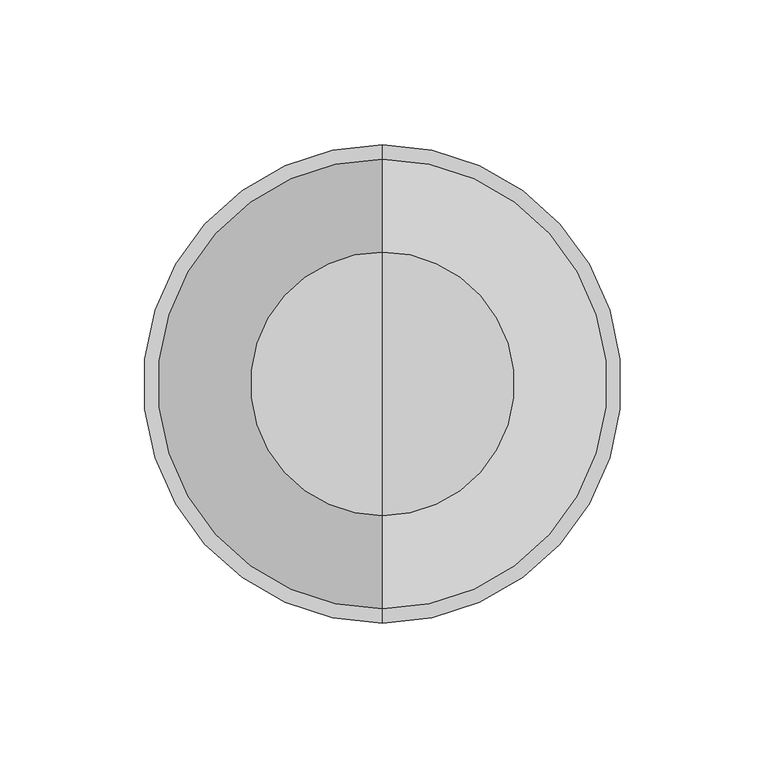
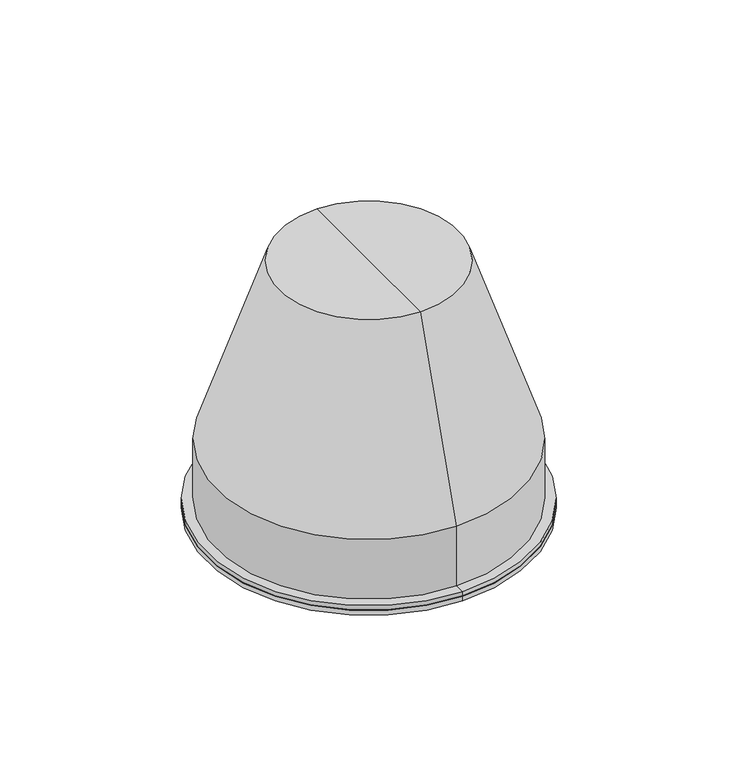
"""IFC4 building model written with IfcOpenShell, lengths in millimetres: light fixture geometry."""

from ifc_helpers import new_model, si_unit, frame, origin, place, context, project, spatial, polyline, circle_curve, source, transform, mapped, element, save
from ifc_brep_helpers import plane_surface, cylinder_surface, revolved_surface, advanced_brep


def light_fixture_cedfec2b(model_context):
    return source(origin(), model_context, "Body", "AdvancedBrep", [
        advanced_brep(
        [(0.0, 0.0, -5.0), (0.0, 82.5, -5.0), (0.0, -82.5, -5.0), (0.0, 82.5, -2.5), (0.0, 0.0, -2.5), (0.0, -82.5, -2.5)],
        [
            (0, 1),
            (1, 2, circle_curve(frame((0.0, 0.0, -5.0), z_axis=(0.0, 0.0, -1.0), x_axis=(0.0, -1.0, 0.0)), 82.5)),
            (2, 0),
            (2, 1, circle_curve(frame((0.0, 0.0, -5.0), z_axis=(0.0, 0.0, -1.0), x_axis=(0.0, -1.0, 0.0)), 82.5)),
            (3, 4),
            (4, 5),
            (5, 3, circle_curve(frame((0.0, 0.0, -2.5), z_axis=(0.0, 0.0, 1.0), x_axis=(0.0, -1.0, 0.0)), 82.5)),
            (3, 5, circle_curve(frame((0.0, 0.0, -2.5), z_axis=(0.0, 0.0, 1.0), x_axis=(0.0, -1.0, 0.0)), 82.5)),
            (1, 3),
            (5, 2),
        ],
        [
            plane_surface(frame((0.0, 0.0, -5.0), z_axis=(0.0, 0.0, -1.0), x_axis=(0.0, -1.0, 0.0))),
            plane_surface(frame((0.0, 0.0, -2.5), z_axis=(0.0, 0.0, 1.0), x_axis=(0.0, -1.0, 0.0))),
            cylinder_surface(frame((0.0, 0.0, 577.2817465), z_axis=(0.0, 0.0, -1.0), x_axis=(0.0, -1.0, 0.0)), 82.5),
        ],
        [
            (0, [[1, 2, 3]]),
            (0, [[-3, 4, -1]]),
            (1, [[5, 6, 7]]),
            (1, [[-6, -5, 8]]),
            (2, [[9, -7, 10, -2]]),
            (2, [[-10, -8, -9, -4]]),
        ],
    ),
        advanced_brep(
        [(0.0, 0.0, 128.0), (0.0, -45.5, 128.0), (0.0, 45.5, 128.0), (0.0, -82.5, -2.5), (0.0, -75.0, -2.5), (0.0, 75.0, -2.5), (0.0, 82.5, -2.5), (0.0, -82.5, 0.0), (0.0, 82.5, 0.0), (0.0, -77.5, 0.0), (0.0, 77.5, 0.0), (0.0, -77.5, 32.0), (0.0, 77.5, 32.0), (0.0, -43.5704413, 125.5), (0.0, 0.0, 125.5), (0.0, 43.5704413, 125.5), (0.0, -75.0, 31.6780485), (0.0, 75.0, 31.6780485)],
        [
            (0, 1),
            (1, 2, circle_curve(frame((0.0, 0.0, 128.0), z_axis=(0.0, 0.0, 1.0), x_axis=(0.0, 1.0, 0.0)), 45.5)),
            (2, 0),
            (2, 1, circle_curve(frame((0.0, 0.0, 128.0), z_axis=(0.0, 0.0, 1.0), x_axis=(0.0, 1.0, 0.0)), 45.5)),
            (3, 4),
            (4, 5, circle_curve(frame((0.0, 0.0, -2.5), z_axis=(0.0, 0.0, 1.0), x_axis=(0.0, 1.0, 0.0)), 75.0)),
            (5, 6),
            (6, 3, circle_curve(frame((0.0, 0.0, -2.5), z_axis=(0.0, 0.0, -1.0), x_axis=(0.0, 1.0, 0.0)), 82.5)),
            (5, 4, circle_curve(frame((0.0, 0.0, -2.5), z_axis=(0.0, 0.0, 1.0), x_axis=(0.0, 1.0, 0.0)), 75.0)),
            (3, 6, circle_curve(frame((0.0, 0.0, -2.5), z_axis=(0.0, 0.0, -1.0), x_axis=(0.0, 1.0, 0.0)), 82.5)),
            (7, 3),
            (6, 8),
            (8, 7, circle_curve(frame((0.0, 0.0, 0.0), z_axis=(0.0, 0.0, -1.0), x_axis=(0.0, 1.0, 0.0)), 82.5)),
            (7, 8, circle_curve(frame((0.0, 0.0, 0.0), z_axis=(0.0, 0.0, -1.0), x_axis=(0.0, 1.0, 0.0)), 82.5)),
            (9, 7),
            (8, 10),
            (10, 9, circle_curve(frame((0.0, 0.0, 0.0), z_axis=(0.0, 0.0, -1.0), x_axis=(0.0, 1.0, 0.0)), 77.5)),
            (9, 10, circle_curve(frame((0.0, 0.0, 0.0), z_axis=(0.0, 0.0, -1.0), x_axis=(0.0, 1.0, 0.0)), 77.5)),
            (11, 9),
            (10, 12),
            (12, 11, circle_curve(frame((0.0, 0.0, 32.0), z_axis=(0.0, 0.0, -1.0), x_axis=(0.0, 1.0, 0.0)), 77.5)),
            (11, 12, circle_curve(frame((0.0, 0.0, 32.0), z_axis=(0.0, 0.0, -1.0), x_axis=(0.0, 1.0, 0.0)), 77.5)),
            (1, 11),
            (12, 2),
            (13, 14),
            (14, 15),
            (15, 13, circle_curve(frame((0.0, 0.0, 125.5), z_axis=(0.0, 0.0, -1.0), x_axis=(0.0, 1.0, 0.0)), 43.5704413)),
            (13, 15, circle_curve(frame((0.0, 0.0, 125.5), z_axis=(0.0, 0.0, -1.0), x_axis=(0.0, 1.0, 0.0)), 43.5704413)),
            (16, 13),
            (15, 17),
            (17, 16, circle_curve(frame((0.0, 0.0, 31.6780485), z_axis=(0.0, 0.0, -1.0), x_axis=(0.0, 1.0, 0.0)), 75.0)),
            (16, 17, circle_curve(frame((0.0, 0.0, 31.6780485), z_axis=(0.0, 0.0, -1.0), x_axis=(0.0, 1.0, 0.0)), 75.0)),
            (4, 16),
            (17, 5),
        ],
        [
            plane_surface(frame((0.0, 0.0, 128.0), z_axis=(0.0, 0.0, 1.0), x_axis=(0.0, 1.0, 0.0))),
            plane_surface(frame((0.0, 0.0, -2.5), z_axis=(0.0, 0.0, -1.0), x_axis=(0.0, 1.0, 0.0))),
            cylinder_surface(frame((0.0, 0.0, 499.2817465), z_axis=(0.0, 0.0, 1.0), x_axis=(0.0, 1.0, 0.0)), 82.5),
            plane_surface(frame((0.0, 0.0, 0.0), z_axis=(0.0, 0.0, 1.0), x_axis=(0.0, 1.0, 0.0))),
            cylinder_surface(frame((0.0, 0.0, 499.2817465), z_axis=(0.0, 0.0, 1.0), x_axis=(0.0, 1.0, 0.0)), 77.5),
            revolved_surface(polyline([(0.0, 77.5, 32.0), (0.0, 45.5, 128.0)]), (0.0, 0.0, 499.2817465), (0.0, 0.0, 1.0)),
            plane_surface(frame((0.0, 0.0, 125.5), z_axis=(0.0, 0.0, -1.0), x_axis=(0.0, 1.0, 0.0))),
            revolved_surface(polyline([(0.0, 43.5704413, 125.5), (0.0, 75.0, 31.6780485)]), (0.0, 0.0, 499.2817465), (0.0, 0.0, 1.0)),
            revolved_surface(polyline([(0.0, 75.0, 31.67804849999999), (0.0, 75.0, -2.5)]), (0.0, 0.0, 499.2817465), (0.0, 0.0, 1.0)),
        ],
        [
            (0, [[1, 2, 3]]),
            (0, [[-3, 4, -1]]),
            (1, [[5, 6, 7, 8]]),
            (1, [[-7, 9, -5, 10]]),
            (2, [[11, -8, 12, 13]]),
            (2, [[-12, -10, -11, 14]]),
            (3, [[15, -13, 16, 17]]),
            (3, [[-16, -14, -15, 18]]),
            (4, [[19, -17, 20, 21]]),
            (4, [[-20, -18, -19, 22]]),
            (5, [[23, -21, 24, -2]]),
            (5, [[-24, -22, -23, -4]]),
            (6, [[25, 26, 27]]),
            (6, [[-26, -25, 28]]),
            (7, [[29, -27, 30, 31]]),
            (7, [[-30, -28, -29, 32]]),
            (8, [[33, -31, 34, -6]]),
            (8, [[-34, -32, -33, -9]]),
        ],
    ),
    ])


if __name__ == "__main__":
    model = new_model("IFC4")
    model_context = context("Model", 3, world=origin())
    ifc_project = project(units=[si_unit("LENGTHUNIT", "METRE", prefix="MILLI")], contexts=[model_context])
    site = spatial("IfcSite", under=ifc_project)
    building = spatial("IfcBuilding", under=site)
    placement = place(None, origin())
    light_fixture_shape = light_fixture_cedfec2b(model_context)
    element("IfcLightFixture", 1, at=placement, inside=building, context=model_context, shape_type="MappedRepresentation", body=[
        mapped(light_fixture_shape, transform((0.0, 0.0, 0.0), x_axis=(1.0, 0.0, 0.0), y_axis=(0.0, 1.0, 0.0), z_axis=(0.0, 0.0, 1.0))),
    ])
    save(model, "model.ifc")
